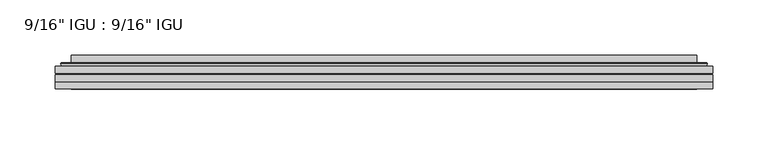
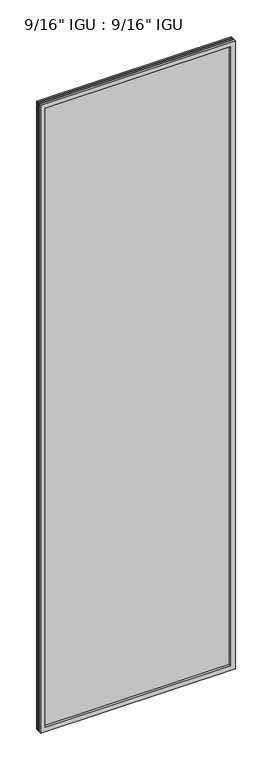
"""IFC4 building model written with IfcOpenShell, lengths in millimetres: plate geometry."""

import ifcopenshell
import ifcopenshell.guid

model = None  # the IFC model being written
_history = None  # IfcOwnerHistory: only IFC2X3 demands one
_inside = {}  # id of a spatial element -> (the spatial element, [elements in it])
_under = {}  # id of a project, library or spatial element -> (it, [spatial elements below it])
_declared = {}  # id of a project -> (the project, [libraries it declares])
_typed = {}  # id of a type object -> (the type object, [elements of that type])
_made_of = {}  # id of a material, layer set ... -> (it, [elements and type objects made of it])


def new_model(schema):
    """Start an empty IFC model of exactly this schema.

    Asked for "IFC4X3", IfcOpenShell would pick the latest addendum, in which some entities
    have other attributes; the version numbers below select the first issue.
    IFC2X3 requires an IfcOwnerHistory on every rooted entity: one is made here for all.
    """
    global model, _history
    if schema == "IFC4X3":
        model = ifcopenshell.file(schema_version=(4, 3, 0, 0))
    else:
        model = ifcopenshell.file(schema=schema)
    _inside.clear()
    _under.clear()
    _declared.clear()
    _typed.clear()
    _made_of.clear()
    _history = None
    if model.schema == "IFC2X3":
        org = make("IfcOrganization", Name="unknown")
        user = make(
            "IfcPersonAndOrganization",
            ThePerson=make("IfcPerson", FamilyName="unknown"),
            TheOrganization=org,
        )
        app = make(
            "IfcApplication",
            ApplicationDeveloper=org,
            Version="unknown",
            ApplicationFullName="unknown",
            ApplicationIdentifier="unknown",
        )
        _history = make(
            "IfcOwnerHistory",
            OwningUser=user,
            OwningApplication=app,
            ChangeAction="ADDED",
            CreationDate=0,
        )
    return model


def make(cls, **values):
    """One entity of the class cls with the attributes given. An attribute that is None is left unset."""
    return model.create_entity(
        cls, **{name: value for name, value in values.items() if value is not None}
    )


def rooted(cls, **values):
    """An entity with a GlobalId (a new one), such as an element, a storey or a relation."""
    return make(cls, GlobalId=ifcopenshell.guid.new(), OwnerHistory=_history, **values)


def si_unit(unit_type, name, prefix=None):
    """IfcSIUnit, for example si_unit("LENGTHUNIT", "METRE", prefix="MILLI")."""
    return make("IfcSIUnit", UnitType=unit_type, Prefix=prefix, Name=name)


def assignment(units):
    """IfcUnitAssignment: the units of a project."""
    return None if units is None else make("IfcUnitAssignment", Units=units)


def point(xyz):
    """IfcCartesianPoint."""
    return None if xyz is None else make("IfcCartesianPoint", Coordinates=xyz)


def direction(xyz):
    """IfcDirection."""
    return None if xyz is None else make("IfcDirection", DirectionRatios=xyz)


def frame(location, z_axis=None, x_axis=None):
    """IfcAxis2Placement3D, a coordinate frame: its origin and axes. An axis left out is left unset."""
    return make(
        "IfcAxis2Placement3D",
        Location=point(location),
        Axis=direction(z_axis),
        RefDirection=direction(x_axis),
    )


def origin():
    """The frame at (0, 0, 0) with its axes left unset."""
    return frame((0.0, 0.0, 0.0))


def place(relative_to, where):
    """IfcLocalPlacement: puts the frame where relative to a parent placement (None: the world)."""
    return make(
        "IfcLocalPlacement", PlacementRelTo=relative_to, RelativePlacement=where
    )


def context(
    kind, dimensions, precision=None, world=None, true_north=None, identifier=None
):
    """IfcGeometricRepresentationContext, for example the 3D "Model" context."""
    return make(
        "IfcGeometricRepresentationContext",
        ContextIdentifier=identifier,
        ContextType=kind,
        CoordinateSpaceDimension=dimensions,
        Precision=precision,
        WorldCoordinateSystem=world,
        TrueNorth=true_north,
    )


def project(units=None, contexts=None):
    """IfcProject with its units and contexts."""
    return rooted(
        "IfcProject",
        Name="project",
        RepresentationContexts=contexts,
        UnitsInContext=assignment(units),
    )


def spatial(cls, under=None, at=None, **own):
    """A site, building, storey or space (cls), placed at a placement, below another one or the project."""
    s = rooted(cls, ObjectPlacement=at, **own)
    if under is not None:
        _under.setdefault(under.id(), (under, []))[1].append(s)
    return s


def polyline(points):
    """IfcPolyline through the points."""
    return make("IfcPolyline", Points=[point(p) for p in points])


def ellipse_curve(where, semi_axis1, semi_axis2):
    """IfcEllipse in the frame where."""
    return make(
        "IfcEllipse", Position=where, SemiAxis1=semi_axis1, SemiAxis2=semi_axis2
    )


def outline(outer, holes=None, kind="AREA"):
    """IfcArbitraryClosedProfileDef: a profile drawn as a closed curve; with holes, ...WithVoids."""
    if holes is None:
        return make("IfcArbitraryClosedProfileDef", ProfileType=kind, OuterCurve=outer)
    return make(
        "IfcArbitraryProfileDefWithVoids",
        ProfileType=kind,
        OuterCurve=outer,
        InnerCurves=holes,
    )


def extrude(swept, where, along, depth):
    """IfcExtrudedAreaSolid: the profile swept, set in the frame where, extruded along a direction by depth."""
    return make(
        "IfcExtrudedAreaSolid",
        SweptArea=swept,
        Position=where,
        ExtrudedDirection=direction(along),
        Depth=depth,
    )


def faces_of(points, faces, orient=None, outer=None):
    """IfcFace entities. A face is a list of loops; a loop is a list of indices into points, from 0.

    orient and outer hold one flag for each loop. By default every Orientation is true, the
    first loop of a face is its IfcFaceOuterBound and the others are IfcFaceBound.
    """
    made = []
    for i, loops in enumerate(faces):
        bounds = []
        for j, loop in enumerate(loops):
            is_outer = j == 0 if outer is None else outer[i][j]
            bounds.append(
                make(
                    "IfcFaceOuterBound" if is_outer else "IfcFaceBound",
                    Bound=make("IfcPolyLoop", Polygon=[points[k] for k in loop]),
                    Orientation=True if orient is None else orient[i][j],
                )
            )
        made.append(make("IfcFace", Bounds=bounds))
    return made


def faceted_brep(points, faces, orient=None, outer=None, voids=None):
    """IfcFacetedBrep: a solid bounded by flat faces; with voids (closed shells), ...WithVoids."""
    shared = [point(p) for p in points]
    hull = make("IfcClosedShell", CfsFaces=faces_of(shared, faces, orient, outer))
    if voids is None:
        return make("IfcFacetedBrep", Outer=hull)
    return make(
        "IfcFacetedBrepWithVoids",
        Outer=hull,
        Voids=[
            make(cls, CfsFaces=faces_of(shared, fs, o, b)) for cls, fs, o, b in voids
        ],
    )


def shape(context_of_items, identifier, shape_type, items):
    """IfcShapeRepresentation: the items that make up one representation, for example the "Body"."""
    return make(
        "IfcShapeRepresentation",
        ContextOfItems=context_of_items,
        RepresentationIdentifier=identifier,
        RepresentationType=shape_type,
        Items=items,
    )


def source(mapping_origin, context_of_items, identifier, shape_type, items):
    """IfcRepresentationMap: a shape defined once, which mapped items show again and again."""
    return make(
        "IfcRepresentationMap",
        MappingOrigin=mapping_origin,
        MappedRepresentation=shape(context_of_items, identifier, shape_type, items),
    )


def transform(
    local_origin,
    x_axis=None,
    y_axis=None,
    z_axis=None,
    scale=None,
    scale2=None,
    scale3=None,
    uniform=True,
):
    """IfcCartesianTransformationOperator3D, or its non-uniform kind. x_axis, y_axis, z_axis: its Axis1, 2, 3."""
    if uniform:
        return make(
            "IfcCartesianTransformationOperator3D",
            Axis1=direction(x_axis),
            Axis2=direction(y_axis),
            LocalOrigin=point(local_origin),
            Scale=scale,
            Axis3=direction(z_axis),
        )
    return make(
        "IfcCartesianTransformationOperator3DnonUniform",
        Axis1=direction(x_axis),
        Axis2=direction(y_axis),
        LocalOrigin=point(local_origin),
        Scale=scale,
        Axis3=direction(z_axis),
        Scale2=scale2,
        Scale3=scale3,
    )


def mapped(mapping_source, mapping_target):
    """IfcMappedItem: shows the shape of a source again, moved by a transform."""
    return make(
        "IfcMappedItem", MappingSource=mapping_source, MappingTarget=mapping_target
    )


def made_of(thing, what):
    """Note that an element or type object is made of a material, layer set ...; save() writes the relation."""
    if what is not None:
        _made_of.setdefault(what.id(), (what, []))[1].append(thing)
    return thing


def element(
    cls,
    number,
    at=None,
    inside=None,
    cuts=None,
    type_object=None,
    material=None,
    context=None,
    identifier="Body",
    shape_type=None,
    held_by="IfcProductDefinitionShape",
    body=None,
    shapes=None,
    **own,
):
    """One element of the class cls, such as IfcWall. Its Tag is "e" and its number.

    at: its placement. inside: the storey or other place that contains it. cuts: it is an
    opening in that element (IfcRelVoidsElement). A single representation is given by context,
    identifier, shape_type and body (its items); several are given by shapes. held_by: the class
    of the entity that holds the representations. save() writes the other relations.
    """
    e = rooted(cls, Tag="e%d" % number, ObjectPlacement=at, **own)
    if body is not None:
        shapes = [shape(context, identifier, shape_type, body)]
    if shapes is not None:
        e.Representation = make(held_by, Representations=shapes)
    if inside is not None:
        _inside.setdefault(inside.id(), (inside, []))[1].append(e)
    if cuts is not None:
        rooted(
            "IfcRelVoidsElement", RelatingBuildingElement=cuts, RelatedOpeningElement=e
        )
    if type_object is not None:
        _typed.setdefault(type_object.id(), (type_object, []))[1].append(e)
    return made_of(e, material)


def aggregate(whole, parts):
    """IfcRelAggregates: a whole, such as a stair, and the parts it consists of."""
    return rooted("IfcRelAggregates", RelatingObject=whole, RelatedObjects=parts)


def save(model, path):
    """Write the relations noted so far, then the file.

    IfcRelAggregates (storeys below a building ...), IfcRelContainedInSpatialStructure (elements
    in a storey), IfcRelDefinesByType, IfcRelAssociatesMaterial and IfcRelDeclares: one each for
    every whole, place, type object, material and project.
    """
    for whole, parts in _under.values():
        aggregate(whole, parts)
    for where, things in _inside.values():
        rooted(
            "IfcRelContainedInSpatialStructure",
            RelatedElements=things,
            RelatingStructure=where,
        )
    for kind, things in _typed.values():
        rooted("IfcRelDefinesByType", RelatedObjects=things, RelatingType=kind)
    for what, things in _made_of.values():
        rooted("IfcRelAssociatesMaterial", RelatedObjects=things, RelatingMaterial=what)
    for by, libraries in _declared.values():
        rooted("IfcRelDeclares", RelatingContext=by, RelatedDefinitions=libraries)
    model.write(path)


def plane_surface(at):
    """IfcPlane: the flat surface through the origin of the frame at, square to its z axis."""
    return make("IfcPlane", Position=at)


def cylinder_surface(at, radius):
    """IfcCylindricalSurface: all points at the distance radius from the z axis of the frame at."""
    return make("IfcCylindricalSurface", Position=at, Radius=radius)


def advanced_brep(points, edges, surfaces, faces):
    """IfcAdvancedBrep: a solid bounded by faces that lie on surfaces and meet in shared edges.

    An edge is (start, end): straight between two places in points (the first is 0);
    or (start, end, curve); or (start, end, curve, False) where it runs against its curve.
    A face is (place in surfaces, loops), or (place, loops, False) where it looks against
    its surface's normal. A loop lists edges by number (the first is 1), with a minus sign
    where the edge is run from its end to its start. The first loop is the outer one.
    """
    corners = [point(p) for p in points]
    vertices = [make("IfcVertexPoint", VertexGeometry=c) for c in corners]
    made = []
    for start, end, *more in edges:
        made.append(
            make(
                "IfcEdgeCurve",
                EdgeStart=vertices[start],
                EdgeEnd=vertices[end],
                EdgeGeometry=more[0] if more else make("IfcPolyline", Points=[corners[start], corners[end]]),
                SameSense=more[1] if len(more) > 1 else True,
            )
        )
    hull = []
    for where, loops, *sense in faces:
        bounds = []
        for j, loop in enumerate(loops):
            ring = [make("IfcOrientedEdge", EdgeElement=made[abs(k) - 1], Orientation=k > 0) for k in loop]
            bounds.append(
                make(
                    "IfcFaceOuterBound" if j == 0 else "IfcFaceBound",
                    Bound=make("IfcEdgeLoop", EdgeList=ring),
                    Orientation=True,
                )
            )
        hull.append(make("IfcAdvancedFace", Bounds=bounds, FaceSurface=surfaces[where], SameSense=sense[0] if sense else True))
    return make("IfcAdvancedBrep", Outer=make("IfcClosedShell", CfsFaces=hull))


def plate_dafeb19a(model_context):
    return source(origin(), model_context, "Body", "SolidModel", [
        extrude(outline(polyline([(296.876675, -54.78145), (296.876675, -61.1317818), (-296.8625, -61.1317818), (-296.8625, -54.78145), (296.876675, -54.78145)])), frame((0.0, 0.0, -14.2875), z_axis=(0.0, 0.0, 1.0), x_axis=(1.0, 0.0, 0.0)), (0.0, 0.0, 1.0), 2022.4787979),
        extrude(outline(polyline([(-296.8625, -69.05625), (-296.8625, -62.705745), (296.876675, -62.705745), (296.876675, -69.05625), (-296.8625, -69.05625)])), frame((0.0, 0.0, -14.2875), z_axis=(0.0, 0.0, 1.0), x_axis=(1.0, 0.0, 0.0)), (0.0, 0.0, 1.0), 2022.4787979),
        faceted_brep([(-296.8752, -75.40625, 2008.2002), (-296.8752, -69.05625, 2008.2002), (-296.8752, -69.05625, -14.3002), (-296.8752, -75.40625, -14.3002), (296.8752, -69.05625, -14.3002), (296.8752, -75.40625, -14.3002), (296.8752, -69.05625, 2008.2002), (296.8752, -75.40625, 2008.2002), (-281.6772559, -69.05625, 0.8977441), (281.6772559, -69.05625, 0.8977441), (281.6772559, -69.05625, 1993.0022559), (-281.6772559, -69.05625, 1993.0022559), (-282.5696902, -75.40625, 1993.8946902), (282.5696902, -75.40625, 1993.8946902), (282.5696902, -75.40625, 0.0053098), (-282.5696902, -75.40625, 0.0053098)], [[[0, 1, 2, 3]], [[3, 2, 4, 5]], [[5, 4, 6, 7]], [[1, 6, 4, 2], [8, 9, 10, 11]], [[7, 6, 1, 0]], [[3, 5, 7, 0], [12, 13, 14, 15]], [[11, 12, 15, 8]], [[8, 15, 14, 9]], [[9, 14, 13, 10]], [[10, 13, 12, 11]]]),
        advanced_brep(
        [(-289.621219, -54.78145, 2000.946219), (-291.9754244, -52.7917833, 2003.3004244), (-291.9754244, -52.7917833, -9.4004244), (-289.621219, -54.78145, -7.046219), (-280.5468939, -50.941413, 1991.8718939), (-275.6120621, -54.78145, 1986.9370621), (-275.6120621, -54.78145, 6.9629379), (-280.5468939, -50.941413, 2.0281061), (-281.5789217, -45.5441819, 1992.9039217), (-281.5789217, -45.5441819, 0.9960783), (-282.5695784, -45.1452069, 1993.8945784), (-282.5695784, -45.1452069, 0.0054216), (-282.5695784, -51.60645, 1993.8945784), (-282.5695784, -51.60645, 0.0054216), (-290.9736349, -51.60645, 2002.2986349), (-290.9736349, -51.60645, -8.3986349), (291.9754244, -52.7917833, -9.4004244), (289.621219, -54.78145, -7.046219), (275.6120621, -54.78145, 6.9629379), (280.5468939, -50.941413, 2.0281061), (281.5789217, -45.5441819, 0.9960783), (282.5695784, -45.1452069, 0.0054216), (282.5695784, -51.60645, 0.0054216), (290.9736349, -51.60645, -8.3986349), (291.9754244, -52.7917833, 2003.3004244), (289.621219, -54.78145, 2000.946219), (275.6120621, -54.78145, 1986.9370621), (280.5468939, -50.941413, 1991.8718939), (281.5789217, -45.5441819, 1992.9039217), (282.5695784, -45.1452069, 1993.8945784), (282.5695784, -51.60645, 1993.8945784), (290.9736349, -51.60645, 2002.2986349)],
        [
            (0, 1, ellipse_curve(frame((-289.621219, -52.39385, 2000.946219), z_axis=(-0.7071067811865475, 0.0, -0.7071067811865475), x_axis=(-0.7071067811865474, 0.0, 0.7071067811865476)), 3.3765763, 2.3876)),
            (1, 2),
            (2, 3, ellipse_curve(frame((-289.621219, -52.39385, -7.046219), z_axis=(-0.7071067811865475, 0.0, 0.7071067811865475), x_axis=(0.7071067811865474, 0.0, 0.7071067811865476)), 3.3765763, 2.3876)),
            (3, 0),
            (4, 5),
            (5, 6),
            (6, 7),
            (7, 4),
            (8, 4),
            (7, 9),
            (9, 8),
            (10, 8, ellipse_curve(frame((-282.2026219, -45.6634423, 1993.5276219), z_axis=(-0.7071067811865475, 0.0, -0.7071067811865475), x_axis=(-0.7071067811865474, 0.0, 0.7071067811865476)), 0.8980256, 0.635)),
            (9, 11, ellipse_curve(frame((-282.2026219, -45.6634423, 0.3723781), z_axis=(-0.7071067811865475, 0.0, 0.7071067811865475), x_axis=(0.7071067811865474, 0.0, 0.7071067811865476)), 0.8980256, 0.635)),
            (11, 10),
            (12, 10),
            (11, 13),
            (13, 12),
            (1, 14, ellipse_curve(frame((-290.9736349, -52.62245, 2002.2986349), z_axis=(-0.7071067811865475, 0.0, -0.7071067811865475), x_axis=(-0.7071067811865474, 0.0, 0.7071067811865476)), 1.436841, 1.016)),
            (14, 15),
            (15, 2, ellipse_curve(frame((-290.9736349, -52.62245, -8.3986349), z_axis=(-0.7071067811865475, 0.0, 0.7071067811865475), x_axis=(0.7071067811865474, 0.0, 0.7071067811865476)), 1.436841, 1.016)),
            (2, 16),
            (16, 17, ellipse_curve(frame((289.621219, -52.39385, -7.046219), z_axis=(-0.7071067811865475, 0.0, -0.7071067811865475), x_axis=(-0.7071067811865476, 0.0, 0.7071067811865474)), 3.3765763, 2.3876)),
            (17, 3),
            (6, 18),
            (18, 19),
            (19, 7),
            (19, 20),
            (20, 9),
            (20, 21, ellipse_curve(frame((282.2026219, -45.6634423, 0.3723781), z_axis=(-0.7071067811865475, 0.0, -0.7071067811865475), x_axis=(-0.7071067811865476, 0.0, 0.7071067811865474)), 0.8980256, 0.635)),
            (21, 11),
            (21, 22),
            (22, 13),
            (15, 23),
            (23, 16, ellipse_curve(frame((290.9736349, -52.62245, -8.3986349), z_axis=(-0.7071067811865475, 0.0, -0.7071067811865475), x_axis=(-0.7071067811865476, 0.0, 0.7071067811865474)), 1.436841, 1.016)),
            (16, 24),
            (24, 25, ellipse_curve(frame((289.621219, -52.39385, 2000.946219), z_axis=(0.7071067811865475, 0.0, -0.7071067811865475), x_axis=(-0.7071067811865474, 0.0, -0.7071067811865476)), 3.3765763, 2.3876)),
            (25, 17),
            (18, 26),
            (26, 27),
            (27, 19),
            (27, 28),
            (28, 20),
            (28, 29, ellipse_curve(frame((282.2026219, -45.6634423, 1993.5276219), z_axis=(0.7071067811865475, 0.0, -0.7071067811865475), x_axis=(-0.7071067811865474, 0.0, -0.7071067811865476)), 0.8980256, 0.635)),
            (29, 21),
            (29, 30),
            (30, 22),
            (23, 31),
            (31, 24, ellipse_curve(frame((290.9736349, -52.62245, 2002.2986349), z_axis=(0.7071067811865475, 0.0, -0.7071067811865475), x_axis=(-0.7071067811865474, 0.0, -0.7071067811865476)), 1.436841, 1.016)),
            (24, 1),
            (0, 25),
            (5, 26),
            (4, 27),
            (8, 28),
            (10, 29),
            (12, 30),
            (14, 31),
        ],
        [
            cylinder_surface(frame((-289.621219, -52.39385, 2025.65), z_axis=(0.0, 0.0, 1.0), x_axis=(-1.0, 0.0, 0.0)), 2.3876),
            plane_surface(frame((-275.6120621, -54.78145, 1986.9370621), z_axis=(0.6141233906514794, 0.7892100234124821, 0.0), x_axis=(0.0, 0.0, -1.0))),
            plane_surface(frame((-280.5468939, -50.941413, 1991.8718939), z_axis=(0.9822050625507728, 0.18781164793386088, 0.0), x_axis=(0.0, 0.0, -1.0))),
            cylinder_surface(frame((-282.2026219, -45.6634423, 2025.65), z_axis=(0.0, 0.0, 1.0), x_axis=(-1.0, 0.0, 0.0)), 0.635),
            plane_surface(frame((-282.5695784, -45.1452069, 1993.8945784), z_axis=(-1.0, 0.0, 0.0), x_axis=(0.0, 0.0, -1.0))),
            cylinder_surface(frame((-290.9736349, -52.62245, 2025.65), z_axis=(0.0, 0.0, 1.0), x_axis=(-1.0, 0.0, 0.0)), 1.016),
            cylinder_surface(frame((-314.325, -52.39385, -7.046219), z_axis=(-1.0, 0.0, 0.0), x_axis=(0.0, 0.0, -1.0)), 2.3876),
            plane_surface(frame((-275.6120621, -54.78145, 6.9629379), z_axis=(0.0, 0.7892100234124841, 0.6141233906514768), x_axis=(1.0, 0.0, 0.0))),
            plane_surface(frame((-280.5468939, -50.941413, 2.0281061), z_axis=(0.0, 0.18781164793386404, 0.9822050625507722), x_axis=(1.0, 0.0, 0.0))),
            cylinder_surface(frame((-314.325, -45.6634423, 0.3723781), z_axis=(-1.0, 0.0, 0.0), x_axis=(0.0, 0.0, -1.0)), 0.635),
            plane_surface(frame((-282.5695784, -45.1452069, 0.0054216), z_axis=(0.0, 0.0, -1.0), x_axis=(1.0, 0.0, 0.0))),
            cylinder_surface(frame((-314.325, -52.62245, -8.3986349), z_axis=(-1.0, 0.0, 0.0), x_axis=(0.0, 0.0, -1.0)), 1.016),
            cylinder_surface(frame((289.621219, -52.39385, -31.75), z_axis=(0.0, 0.0, -1.0), x_axis=(1.0, 0.0, 0.0)), 2.3876),
            plane_surface(frame((275.6120621, -54.78145, 6.9629379), z_axis=(-0.6141233906514743, 0.7892100234124861, 0.0), x_axis=(0.0, 0.0, 1.0))),
            plane_surface(frame((280.5468939, -50.941413, 2.0281061), z_axis=(-0.9822050625507717, 0.1878116479338672, 0.0), x_axis=(0.0, 0.0, 1.0))),
            cylinder_surface(frame((282.2026219, -45.6634423, -31.75), z_axis=(0.0, 0.0, -1.0), x_axis=(1.0, 0.0, 0.0)), 0.635),
            plane_surface(frame((282.5695784, -45.1452069, 0.0054216), z_axis=(1.0, 0.0, 0.0), x_axis=(0.0, 0.0, 1.0))),
            cylinder_surface(frame((290.9736349, -52.62245, -31.75), z_axis=(0.0, 0.0, -1.0), x_axis=(1.0, 0.0, 0.0)), 1.016),
            cylinder_surface(frame((314.325, -52.39385, 2000.946219), z_axis=(1.0, 0.0, 0.0), x_axis=(0.0, 0.0, 1.0)), 2.3876),
            plane_surface(frame((289.621219, -54.78145, 2000.946219), z_axis=(0.0, -1.0, 0.0), x_axis=(-1.0, 0.0, 0.0))),
            plane_surface(frame((275.6120621, -54.78145, 1986.9370621), z_axis=(0.0, 0.7892100234124841, -0.6141233906514768), x_axis=(-1.0, 0.0, 0.0))),
            plane_surface(frame((280.5468939, -50.941413, 1991.8718939), z_axis=(0.0, 0.18781164793386404, -0.9822050625507722), x_axis=(-1.0, 0.0, 0.0))),
            cylinder_surface(frame((314.325, -45.6634423, 1993.5276219), z_axis=(1.0, 0.0, 0.0), x_axis=(0.0, 0.0, 1.0)), 0.635),
            plane_surface(frame((282.5695784, -45.1452069, 1993.8945784), z_axis=(0.0, 0.0, 1.0), x_axis=(-1.0, 0.0, 0.0))),
            plane_surface(frame((282.5695784, -51.60645, 1993.8945784), z_axis=(0.0, 1.0, 0.0), x_axis=(-1.0, 0.0, 0.0))),
            cylinder_surface(frame((314.325, -52.62245, 2002.2986349), z_axis=(1.0, 0.0, 0.0), x_axis=(0.0, 0.0, 1.0)), 1.016),
        ],
        [
            (0, [[1, 2, 3, 4]]),
            (1, [[5, 6, 7, 8]]),
            (2, [[9, -8, 10, 11]]),
            (3, [[12, -11, 13, 14]]),
            (4, [[15, -14, 16, 17]]),
            (5, [[18, 19, 20, -2]]),
            (6, [[-3, 21, 22, 23]]),
            (7, [[-7, 24, 25, 26]]),
            (8, [[-10, -26, 27, 28]]),
            (9, [[-13, -28, 29, 30]]),
            (10, [[-16, -30, 31, 32]]),
            (11, [[-20, 33, 34, -21]]),
            (12, [[-22, 35, 36, 37]]),
            (13, [[-25, 38, 39, 40]]),
            (14, [[-27, -40, 41, 42]]),
            (15, [[-29, -42, 43, 44]]),
            (16, [[-31, -44, 45, 46]]),
            (17, [[-34, 47, 48, -35]]),
            (18, [[-36, 49, -1, 50]]),
            (19, [[-23, -37, -50, -4], [51, -38, -24, -6]]),
            (20, [[-39, -51, -5, 52]]),
            (21, [[-41, -52, -9, 53]]),
            (22, [[-43, -53, -12, 54]]),
            (23, [[-45, -54, -15, 55]]),
            (24, [[56, -47, -33, -19], [-32, -46, -55, -17]]),
            (25, [[-48, -56, -18, -49]]),
        ],
    ),
    ])


if __name__ == "__main__":
    model = new_model("IFC4")
    model_context = context("Model", 3, world=origin())
    ifc_project = project(units=[si_unit("LENGTHUNIT", "METRE", prefix="MILLI")], contexts=[model_context])
    site = spatial("IfcSite", under=ifc_project)
    building = spatial("IfcBuilding", under=site)
    placement = place(None, origin())
    plate_shape = plate_dafeb19a(model_context)
    element("IfcPlate", 1, ObjectType="9/16\" IGU : 9/16\" IGU", at=placement, inside=building, context=model_context, shape_type="MappedRepresentation", body=[
        mapped(plate_shape, transform((0.0, 0.0, 0.0), x_axis=(1.0, 0.0, 0.0), y_axis=(0.0, 1.0, 0.0), z_axis=(0.0, 0.0, 1.0))),
    ])
    save(model, "model.ifc")
